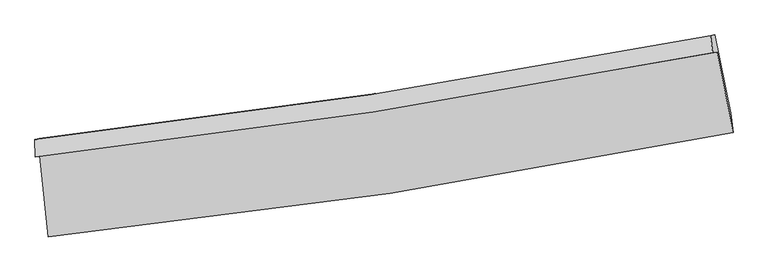
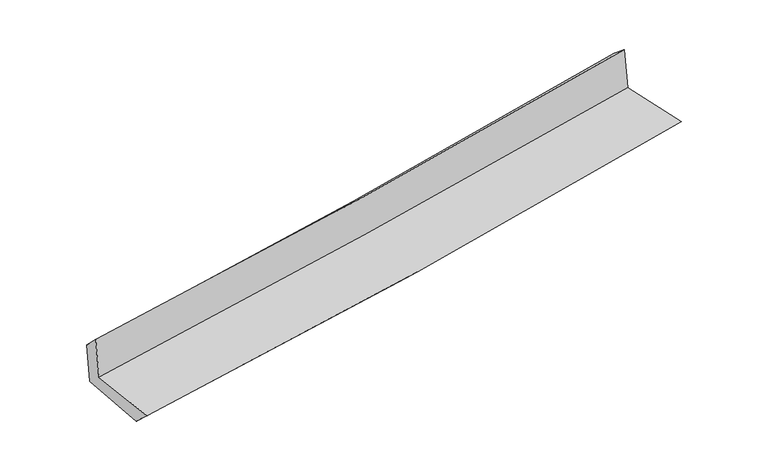
"""IFC4 building model written with IfcOpenShell, lengths in millimetres: proxy geometry."""

import ifcopenshell
import ifcopenshell.guid

model = None  # the IFC model being written
_history = None  # IfcOwnerHistory: only IFC2X3 demands one
_inside = {}  # id of a spatial element -> (the spatial element, [elements in it])
_under = {}  # id of a project, library or spatial element -> (it, [spatial elements below it])
_declared = {}  # id of a project -> (the project, [libraries it declares])
_typed = {}  # id of a type object -> (the type object, [elements of that type])
_made_of = {}  # id of a material, layer set ... -> (it, [elements and type objects made of it])


def new_model(schema):
    """Start an empty IFC model of exactly this schema.

    Asked for "IFC4X3", IfcOpenShell would pick the latest addendum, in which some entities
    have other attributes; the version numbers below select the first issue.
    IFC2X3 requires an IfcOwnerHistory on every rooted entity: one is made here for all.
    """
    global model, _history
    if schema == "IFC4X3":
        model = ifcopenshell.file(schema_version=(4, 3, 0, 0))
    else:
        model = ifcopenshell.file(schema=schema)
    _inside.clear()
    _under.clear()
    _declared.clear()
    _typed.clear()
    _made_of.clear()
    _history = None
    if model.schema == "IFC2X3":
        org = make("IfcOrganization", Name="unknown")
        user = make(
            "IfcPersonAndOrganization",
            ThePerson=make("IfcPerson", FamilyName="unknown"),
            TheOrganization=org,
        )
        app = make(
            "IfcApplication",
            ApplicationDeveloper=org,
            Version="unknown",
            ApplicationFullName="unknown",
            ApplicationIdentifier="unknown",
        )
        _history = make(
            "IfcOwnerHistory",
            OwningUser=user,
            OwningApplication=app,
            ChangeAction="ADDED",
            CreationDate=0,
        )
    return model


def make(cls, **values):
    """One entity of the class cls with the attributes given. An attribute that is None is left unset."""
    return model.create_entity(
        cls, **{name: value for name, value in values.items() if value is not None}
    )


def rooted(cls, **values):
    """An entity with a GlobalId (a new one), such as an element, a storey or a relation."""
    return make(cls, GlobalId=ifcopenshell.guid.new(), OwnerHistory=_history, **values)


def si_unit(unit_type, name, prefix=None):
    """IfcSIUnit, for example si_unit("LENGTHUNIT", "METRE", prefix="MILLI")."""
    return make("IfcSIUnit", UnitType=unit_type, Prefix=prefix, Name=name)


def assignment(units):
    """IfcUnitAssignment: the units of a project."""
    return None if units is None else make("IfcUnitAssignment", Units=units)


def point(xyz):
    """IfcCartesianPoint."""
    return None if xyz is None else make("IfcCartesianPoint", Coordinates=xyz)


def direction(xyz):
    """IfcDirection."""
    return None if xyz is None else make("IfcDirection", DirectionRatios=xyz)


def frame(location, z_axis=None, x_axis=None):
    """IfcAxis2Placement3D, a coordinate frame: its origin and axes. An axis left out is left unset."""
    return make(
        "IfcAxis2Placement3D",
        Location=point(location),
        Axis=direction(z_axis),
        RefDirection=direction(x_axis),
    )


def origin():
    """The frame at (0, 0, 0) with its axes left unset."""
    return frame((0.0, 0.0, 0.0))


def place(relative_to, where):
    """IfcLocalPlacement: puts the frame where relative to a parent placement (None: the world)."""
    return make(
        "IfcLocalPlacement", PlacementRelTo=relative_to, RelativePlacement=where
    )


def context(
    kind, dimensions, precision=None, world=None, true_north=None, identifier=None
):
    """IfcGeometricRepresentationContext, for example the 3D "Model" context."""
    return make(
        "IfcGeometricRepresentationContext",
        ContextIdentifier=identifier,
        ContextType=kind,
        CoordinateSpaceDimension=dimensions,
        Precision=precision,
        WorldCoordinateSystem=world,
        TrueNorth=true_north,
    )


def project(units=None, contexts=None):
    """IfcProject with its units and contexts."""
    return rooted(
        "IfcProject",
        Name="project",
        RepresentationContexts=contexts,
        UnitsInContext=assignment(units),
    )


def spatial(cls, under=None, at=None, **own):
    """A site, building, storey or space (cls), placed at a placement, below another one or the project."""
    s = rooted(cls, ObjectPlacement=at, **own)
    if under is not None:
        _under.setdefault(under.id(), (under, []))[1].append(s)
    return s


def shape(context_of_items, identifier, shape_type, items):
    """IfcShapeRepresentation: the items that make up one representation, for example the "Body"."""
    return make(
        "IfcShapeRepresentation",
        ContextOfItems=context_of_items,
        RepresentationIdentifier=identifier,
        RepresentationType=shape_type,
        Items=items,
    )


def source(mapping_origin, context_of_items, identifier, shape_type, items):
    """IfcRepresentationMap: a shape defined once, which mapped items show again and again."""
    return make(
        "IfcRepresentationMap",
        MappingOrigin=mapping_origin,
        MappedRepresentation=shape(context_of_items, identifier, shape_type, items),
    )


def transform(
    local_origin,
    x_axis=None,
    y_axis=None,
    z_axis=None,
    scale=None,
    scale2=None,
    scale3=None,
    uniform=True,
):
    """IfcCartesianTransformationOperator3D, or its non-uniform kind. x_axis, y_axis, z_axis: its Axis1, 2, 3."""
    if uniform:
        return make(
            "IfcCartesianTransformationOperator3D",
            Axis1=direction(x_axis),
            Axis2=direction(y_axis),
            LocalOrigin=point(local_origin),
            Scale=scale,
            Axis3=direction(z_axis),
        )
    return make(
        "IfcCartesianTransformationOperator3DnonUniform",
        Axis1=direction(x_axis),
        Axis2=direction(y_axis),
        LocalOrigin=point(local_origin),
        Scale=scale,
        Axis3=direction(z_axis),
        Scale2=scale2,
        Scale3=scale3,
    )


def mapped(mapping_source, mapping_target):
    """IfcMappedItem: shows the shape of a source again, moved by a transform."""
    return make(
        "IfcMappedItem", MappingSource=mapping_source, MappingTarget=mapping_target
    )


def made_of(thing, what):
    """Note that an element or type object is made of a material, layer set ...; save() writes the relation."""
    if what is not None:
        _made_of.setdefault(what.id(), (what, []))[1].append(thing)
    return thing


def element(
    cls,
    number,
    at=None,
    inside=None,
    cuts=None,
    type_object=None,
    material=None,
    context=None,
    identifier="Body",
    shape_type=None,
    held_by="IfcProductDefinitionShape",
    body=None,
    shapes=None,
    **own,
):
    """One element of the class cls, such as IfcWall. Its Tag is "e" and its number.

    at: its placement. inside: the storey or other place that contains it. cuts: it is an
    opening in that element (IfcRelVoidsElement). A single representation is given by context,
    identifier, shape_type and body (its items); several are given by shapes. held_by: the class
    of the entity that holds the representations. save() writes the other relations.
    """
    e = rooted(cls, Tag="e%d" % number, ObjectPlacement=at, **own)
    if body is not None:
        shapes = [shape(context, identifier, shape_type, body)]
    if shapes is not None:
        e.Representation = make(held_by, Representations=shapes)
    if inside is not None:
        _inside.setdefault(inside.id(), (inside, []))[1].append(e)
    if cuts is not None:
        rooted(
            "IfcRelVoidsElement", RelatingBuildingElement=cuts, RelatedOpeningElement=e
        )
    if type_object is not None:
        _typed.setdefault(type_object.id(), (type_object, []))[1].append(e)
    return made_of(e, material)


def aggregate(whole, parts):
    """IfcRelAggregates: a whole, such as a stair, and the parts it consists of."""
    return rooted("IfcRelAggregates", RelatingObject=whole, RelatedObjects=parts)


def save(model, path):
    """Write the relations noted so far, then the file.

    IfcRelAggregates (storeys below a building ...), IfcRelContainedInSpatialStructure (elements
    in a storey), IfcRelDefinesByType, IfcRelAssociatesMaterial and IfcRelDeclares: one each for
    every whole, place, type object, material and project.
    """
    for whole, parts in _under.values():
        aggregate(whole, parts)
    for where, things in _inside.values():
        rooted(
            "IfcRelContainedInSpatialStructure",
            RelatedElements=things,
            RelatingStructure=where,
        )
    for kind, things in _typed.values():
        rooted("IfcRelDefinesByType", RelatedObjects=things, RelatingType=kind)
    for what, things in _made_of.values():
        rooted("IfcRelAssociatesMaterial", RelatedObjects=things, RelatingMaterial=what)
    for by, libraries in _declared.values():
        rooted("IfcRelDeclares", RelatingContext=by, RelatedDefinitions=libraries)
    model.write(path)


def plane_surface(at):
    """IfcPlane: the flat surface through the origin of the frame at, square to its z axis."""
    return make("IfcPlane", Position=at)


def spline_curve(degree, points, multiplicities, knots, weights=None):
    """IfcBSplineCurveWithKnots; with weights, IfcRationalBSplineCurveWithKnots."""
    own = dict(
        Degree=degree,
        ControlPointsList=[point(p) for p in points],
        CurveForm="UNSPECIFIED",
        ClosedCurve=False,
        SelfIntersect=False,
        KnotMultiplicities=multiplicities,
        Knots=knots,
        KnotSpec="UNSPECIFIED",
    )
    if weights is None:
        return make("IfcBSplineCurveWithKnots", **own)
    return make("IfcRationalBSplineCurveWithKnots", WeightsData=weights, **own)


def spline_surface(u_degree, v_degree, points, u_multiplicities, v_multiplicities, u_knots, v_knots, weights=None):
    """IfcBSplineSurfaceWithKnots; with weights, IfcRationalBSplineSurfaceWithKnots. points: one row for each step in u."""
    own = dict(
        UDegree=u_degree,
        VDegree=v_degree,
        ControlPointsList=[[point(p) for p in row] for row in points],
        SurfaceForm="UNSPECIFIED",
        UClosed=False,
        VClosed=False,
        SelfIntersect=False,
        UMultiplicities=u_multiplicities,
        VMultiplicities=v_multiplicities,
        UKnots=u_knots,
        VKnots=v_knots,
        KnotSpec="UNSPECIFIED",
    )
    if weights is None:
        return make("IfcBSplineSurfaceWithKnots", **own)
    return make("IfcRationalBSplineSurfaceWithKnots", WeightsData=weights, **own)


def advanced_brep(points, edges, surfaces, faces):
    """IfcAdvancedBrep: a solid bounded by faces that lie on surfaces and meet in shared edges.

    An edge is (start, end): straight between two places in points (the first is 0);
    or (start, end, curve); or (start, end, curve, False) where it runs against its curve.
    A face is (place in surfaces, loops), or (place, loops, False) where it looks against
    its surface's normal. A loop lists edges by number (the first is 1), with a minus sign
    where the edge is run from its end to its start. The first loop is the outer one.
    """
    corners = [point(p) for p in points]
    vertices = [make("IfcVertexPoint", VertexGeometry=c) for c in corners]
    made = []
    for start, end, *more in edges:
        made.append(
            make(
                "IfcEdgeCurve",
                EdgeStart=vertices[start],
                EdgeEnd=vertices[end],
                EdgeGeometry=more[0] if more else make("IfcPolyline", Points=[corners[start], corners[end]]),
                SameSense=more[1] if len(more) > 1 else True,
            )
        )
    hull = []
    for where, loops, *sense in faces:
        bounds = []
        for j, loop in enumerate(loops):
            ring = [make("IfcOrientedEdge", EdgeElement=made[abs(k) - 1], Orientation=k > 0) for k in loop]
            bounds.append(
                make(
                    "IfcFaceOuterBound" if j == 0 else "IfcFaceBound",
                    Bound=make("IfcEdgeLoop", EdgeList=ring),
                    Orientation=True,
                )
            )
        hull.append(make("IfcAdvancedFace", Bounds=bounds, FaceSurface=surfaces[where], SameSense=sense[0] if sense else True))
    return make("IfcAdvancedBrep", Outer=make("IfcClosedShell", CfsFaces=hull))


def generic_models_1acfc084(model_context):
    return source(origin(), model_context, "Body", "AdvancedBrep", [
        advanced_brep(
        [(-2803.0057501, -1909.8942784, 1657.8131138), (-2729.9001478, -2574.3412888, 1644.5897454), (2893.3640635, -1713.7990919, 2135.8749708), (2761.6546141, -1053.5631762, 2128.7270811), (-2837.9385979, -1916.3161884, 2057.1042731), (2725.9035536, -1060.0964639, 2531.8388391), (-2840.9888614, -1772.2908194, 1916.5619213), (2708.1198258, -918.6294438, 2416.7804868), (-2807.0970279, -1766.0602852, 1529.1698157), (2742.4747692, -912.3273849, 2029.358549), (-2733.6995477, -2412.5591284, 1490.9011166), (2874.4206622, -1555.1792973, 1996.0259425)],
        [
            (0, 1),
            (1, 2, spline_curve(3, [(-2729.9001478, -2574.3412888, 1644.5897454), (-1793.314998333, -2477.368980966, 1736.171419197), (-859.494709392, -2357.795089177, 1822.666035781), (1015.00073812, -2071.552966627, 1986.564010153), (1955.601852967, -1904.279459557, 2063.831135499), (2893.3640635, -1713.7990919, 2135.8749708)], [4, 2, 4], [0.0, 9.258711804994796, 18.64057992179693])),
            (2, 3),
            (3, 0, spline_curve(3, [(2761.6546141, -1053.5631762, 2128.7270811), (1832.58452362, -1234.568796184, 2065.328589422), (901.249153634, -1396.780651623, 1994.075687072), (-953.696717261, -1681.7341776, 1836.899507683), (-1877.248135108, -1804.966022471, 1751.181087531), (-2803.0057501, -1909.8942784, 1657.8131138)], [4, 2, 4], [0.0, 9.381868116802135, 18.64057992179693])),
            (4, 0),
            (3, 5),
            (5, 4, spline_curve(3, [(2725.9035536, -1060.0964639, 2531.8388391), (1797.731402644, -1240.799542893, 2458.984587728), (866.911124507, -1402.851723219, 2382.712437801), (-987.77199411, -1687.771849274, 2224.378437553), (-1911.565766208, -1811.126243754, 2142.405732013), (-2837.9385979, -1916.3161884, 2057.1042731)], [4, 2, 4], [0.0, 9.331255543380566, 18.540019169059114])),
            (6, 4),
            (5, 7),
            (7, 6, spline_curve(3, [(2708.1198258, -918.6294438, 2416.7804868), (1782.405554611, -1098.888694961, 2341.195411662), (854.050162802, -1260.504405531, 2261.41505005), (-995.721618286, -1544.571940142, 2094.566107614), (-1917.069122212, -1667.510021879, 2007.606947401), (-2840.9888614, -1772.2908194, 1916.5619213)], [4, 2, 4], [0.0, 9.32019150221325, 18.51803632501678])),
            (8, 6),
            (7, 9),
            (9, 8, spline_curve(3, [(2742.4747692, -912.3273849, 2029.358549), (1816.964718112, -1092.550318571, 1950.531549106), (888.671657429, -1254.154029551, 1869.143453923), (-961.258193958, -1538.246040212, 1702.347078237), (-1882.822399285, -1661.219962653, 1617.005595741), (-2807.0970279, -1766.0602852, 1529.1698157)], [4, 2, 4], [0.0, 9.310102901275943, 18.49799155677556])),
            (10, 8),
            (9, 11),
            (11, 10, spline_curve(3, [(2874.4206622, -1555.1792973, 1996.0259425), (1939.817047338, -1744.85897289, 1915.842908908), (1002.063527327, -1911.467754718, 1833.364482089), (-867.392031403, -2196.659301528, 1664.929672031), (-1799.011914448, -2315.843796701, 1579.033156921), (-2733.6995477, -2412.5591284, 1490.9011166)], [4, 2, 4], [0.0, 9.359414958089316, 18.595968348251837])),
            (1, 10),
            (11, 2),
        ],
        [
            spline_surface(3, 3, [[(-2803.0057501, -1909.8942784, 1657.8131138), (-1877.248135158, -1804.96602248, 1751.1810874), (-953.696717124, -1681.734177451, 1836.899507614), (901.249153495, -1396.780651774, 1994.075687142), (1832.584523524, -1234.568796097, 2065.328589396), (2761.6546141, -1053.5631762, 2128.7270811)], [(-2778.637216017, -2131.376615185, 1653.405324309), (-1849.270422904, -2029.100341941, 1746.177864659), (-922.296047875, -1907.087814656, 1832.155016988), (939.166348367, -1621.704756727, 1991.571794866), (1873.59029997, -1457.8056839, 2064.829438136), (2805.557763891, -1273.641814765, 2131.109711)], [(-2754.268681883, -2352.858952015, 1648.997534891), (-1821.2927106, -2253.234661447, 1741.174641992), (-890.895378628, -2132.441451914, 1827.410526304), (977.083543236, -1846.628861733, 1989.067902534), (1914.596076443, -1681.042571708, 2064.330286877), (2849.460913709, -1493.720453335, 2133.4923409)], [(-2729.9001478, -2574.3412888, 1644.5897454), (-1793.314998345, -2477.368980909, 1736.171419251), (-859.494709379, -2357.795089119, 1822.666035678), (1015.000738108, -2071.552966686, 1986.564010258), (1955.601852889, -1904.27945951, 2063.831135617), (2893.3640635, -1713.7990919, 2135.8749708)]], [4, 4], [4, 2, 4], [0.0, 2.2423541226810855], [0.0, 9.258711804994796, 18.64057992179693]),
            spline_surface(3, 3, [[(-2837.9385979, -1916.3161884, 2057.1042731), (-1911.565766353, -1811.1262438, 2142.405732004), (-987.771994006, -1687.771849226, 2224.378437548), (866.911124402, -1402.851723268, 2382.712437805), (1797.731402549, -1240.799543033, 2458.984587577), (2725.9035536, -1060.0964639, 2531.8388391)], [(-2826.294315298, -1914.175551741, 1924.007220005), (-1900.126555953, -1809.072836701, 2011.997517141), (-976.413568354, -1685.759291986, 2095.218794208), (878.357134125, -1400.828032788, 2253.166854222), (1809.349109542, -1238.722627393, 2327.765921496), (2737.820573768, -1057.918701339, 2397.468253079)], [(-2814.650032702, -1912.034915059, 1790.910166895), (-1888.687345559, -1807.019429579, 1881.589302262), (-965.055142776, -1683.746734691, 1966.059150955), (889.803143772, -1398.804342254, 2123.621270726), (1820.966816531, -1236.645711737, 2196.547255477), (2749.737593932, -1055.740938761, 2263.097667121)], [(-2803.0057501, -1909.8942784, 1657.8131138), (-1877.248135158, -1804.96602248, 1751.1810874), (-953.696717124, -1681.734177451, 1836.899507614), (901.249153495, -1396.780651774, 1994.075687142), (1832.584523524, -1234.568796097, 2065.328589396), (2761.6546141, -1053.5631762, 2128.7270811)]], [4, 4], [4, 2, 4], [0.0, 1.2782741063603493], [0.0, 9.208763625678548, 18.540019169059114]),
            spline_surface(3, 3, [[(-2840.9888614, -1772.2908194, 1916.5619213), (-1917.069122109, -1667.510021832, 2007.606947325), (-995.721618177, -1544.571940272, 2094.566107623), (854.050162692, -1260.504405399, 2261.415050041), (1782.40555454, -1098.888695065, 2341.195411585), (2708.1198258, -918.6294438, 2416.7804868)], [(-2839.972106903, -1820.299275748, 1963.409371906), (-1915.234670193, -1715.382095836, 2052.539875558), (-993.07174348, -1592.305243262, 2137.836884264), (858.337149902, -1307.95351136, 2301.847512628), (1787.514170567, -1146.192311043, 2380.458470268), (2714.04773509, -965.785117155, 2455.133270919)], [(-2838.955352397, -1868.307732052, 2010.256822494), (-1913.400218269, -1763.254169796, 2097.472803771), (-990.421868703, -1640.038546237, 2181.107660907), (862.624137192, -1355.402617307, 2342.279975218), (1792.622786523, -1193.495927055, 2419.721528894), (2719.97564431, -1012.940790545, 2493.486054981)], [(-2837.9385979, -1916.3161884, 2057.1042731), (-1911.565766353, -1811.1262438, 2142.405732004), (-987.771994006, -1687.771849226, 2224.378437548), (866.911124402, -1402.851723268, 2382.712437805), (1797.731402549, -1240.799543033, 2458.984587577), (2725.9035536, -1060.0964639, 2531.8388391)]], [4, 4], [4, 2, 4], [0.0, 0.6245806403353604], [0.0, 9.19784482280353, 18.51803632501678]),
            spline_surface(3, 3, [[(-2807.0970279, -1766.0602852, 1529.1698157), (-1882.822399257, -1661.219962776, 1617.00559574), (-961.258194047, -1538.246040225, 1702.347078211), (888.671657518, -1254.154029537, 1869.14345395), (1816.964718024, -1092.550318601, 1950.531549227), (2742.4747692, -912.3273849, 2029.358549)], [(-2818.394305715, -1768.137129937, 1658.300517569), (-1894.237973523, -1663.316649132, 1747.206046271), (-972.746002067, -1540.354673566, 1833.086754687), (877.131159267, -1256.270821483, 1999.900652652), (1805.444996865, -1094.663110746, 2080.752836669), (2731.023121403, -914.428071191, 2158.499194922)], [(-2829.691583585, -1770.213974663, 1787.431219431), (-1905.653547844, -1665.413335476, 1877.406496795), (-984.233810157, -1542.463306931, 1963.826431147), (865.590660944, -1258.387613453, 2130.657851338), (1793.925275699, -1096.77590292, 2210.974124143), (2719.571473597, -916.528757509, 2287.639840878)], [(-2840.9888614, -1772.2908194, 1916.5619213), (-1917.069122109, -1667.510021832, 2007.606947325), (-995.721618177, -1544.571940272, 2094.566107623), (854.050162692, -1260.504405399, 2261.415050041), (1782.40555454, -1098.888695065, 2341.195411585), (2708.1198258, -918.6294438, 2416.7804868)]], [4, 4], [4, 2, 4], [0.0, 1.2920425649930056], [0.0, 9.187888655499616, 18.49799155677556]),
            spline_surface(3, 3, [[(-2733.6995477, -2412.5591284, 1490.9011166), (-1799.011914428, -2315.843796633, 1579.033157069), (-867.392031275, -2196.659301498, 1664.929672101), (1002.063527198, -1911.467754747, 1833.364482018), (1939.817047354, -1744.858972833, 1915.842909004), (2874.4206622, -1555.1792973, 1996.0259425)], [(-2758.165374441, -2197.059513993, 1503.657349614), (-1826.948742713, -2097.635852007, 1591.690636606), (-898.680752219, -1977.188214392, 1677.402140799), (964.266237284, -1692.363179662, 1845.29080599), (1898.8662709, -1527.422754768, 1927.405789094), (2830.438697855, -1340.895326513, 2007.136811349)], [(-2782.631201159, -1981.559899607, 1516.413582686), (-1854.885570973, -1879.427907401, 1604.348116203), (-929.969473103, -1757.717127332, 1689.874609513), (926.468947432, -1473.258604622, 1857.217129978), (1857.915494479, -1309.986536666, 1938.968669138), (2786.456733545, -1126.611355687, 2018.247680151)], [(-2807.0970279, -1766.0602852, 1529.1698157), (-1882.822399257, -1661.219962776, 1617.00559574), (-961.258194047, -1538.246040225, 1702.347078211), (888.671657518, -1254.154029537, 1869.14345395), (1816.964718024, -1092.550318601, 1950.531549227), (2742.4747692, -912.3273849, 2029.358549)]], [4, 4], [4, 2, 4], [0.0, 2.1882941658552304], [0.0, 9.236553390162522, 18.595968348251837]),
            spline_surface(3, 3, [[(-2729.9001478, -2574.3412888, 1644.5897454), (-1793.314998345, -2477.368980909, 1736.171419251), (-859.494709379, -2357.795089119, 1822.666035678), (1015.000738108, -2071.552966686, 1986.564010258), (1955.601852889, -1904.27945951, 2063.831135617), (2893.3640635, -1713.7990919, 2135.8749708)], [(-2731.166614426, -2520.413901996, 1593.360202497), (-1795.213970366, -2423.527252813, 1683.791998554), (-862.127150014, -2304.083159931, 1770.08724783), (1010.688334468, -2018.191229392, 1935.497500856), (1950.340251037, -1851.139297289, 2014.501726744), (2887.049596393, -1660.925827038, 2089.258628031)], [(-2732.433081074, -2466.486515204, 1542.130659503), (-1797.112942408, -2369.685524728, 1631.412577766), (-864.75959064, -2250.371230687, 1717.508459949), (1006.375930837, -1964.829492042, 1884.43099142), (1945.078649207, -1797.999135055, 1965.172317877), (2880.735129307, -1608.052562162, 2042.642285269)], [(-2733.6995477, -2412.5591284, 1490.9011166), (-1799.011914428, -2315.843796633, 1579.033157069), (-867.392031275, -2196.659301498, 1664.929672101), (1002.063527198, -1911.467754747, 1833.364482018), (1939.817047354, -1744.858972833, 1915.842909004), (2874.4206622, -1555.1792973, 1996.0259425)]], [4, 4], [4, 2, 4], [0.0, 0.7340842270294532], [0.0, 9.296503861245437, 18.716666731688676]),
            plane_surface(frame((2784.3229147, -1202.2658097, 2206.4343115), z_axis=(0.9765298296298915, 0.19577841033846624, 0.0897792063250627), x_axis=(-0.08831758603184943, -0.016200947278050822, 0.9959606083097869))),
            plane_surface(frame((-2792.1049888, -2058.5769981, 1716.023331), z_axis=(-0.990303138009036, -0.10719929617321736, -0.08836292067051181), x_axis=(-0.10934337360624492, 0.9938072522351009, 0.01977807001008357))),
        ],
        [
            (0, [[1, 2, 3, 4]]),
            (1, [[5, -4, 6, 7]]),
            (2, [[8, -7, 9, 10]]),
            (3, [[11, -10, 12, 13]]),
            (4, [[14, -13, 15, 16]]),
            (5, [[17, -16, 18, -2]]),
            (6, [[-12, -9, -6, -3, -18, -15]]),
            (7, [[-1, -5, -8, -11, -14, -17]]),
        ],
    ),
    ])


if __name__ == "__main__":
    model = new_model("IFC4")
    model_context = context("Model", 3, world=origin())
    ifc_project = project(units=[si_unit("LENGTHUNIT", "METRE", prefix="MILLI")], contexts=[model_context])
    site = spatial("IfcSite", under=ifc_project)
    building = spatial("IfcBuilding", under=site)
    placement = place(None, origin())
    generic_models_shape = generic_models_1acfc084(model_context)
    element("IfcBuildingElementProxy", 1, Name="Generic Models", at=placement, inside=building, context=model_context, shape_type="MappedRepresentation", body=[
        mapped(generic_models_shape, transform((0.0, 0.0, 0.0), x_axis=(1.0, 0.0, 0.0), y_axis=(0.0, 1.0, 0.0), z_axis=(0.0, 0.0, 1.0))),
    ])
    save(model, "model.ifc")
